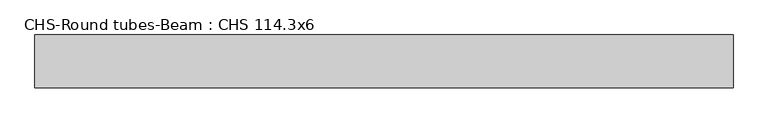
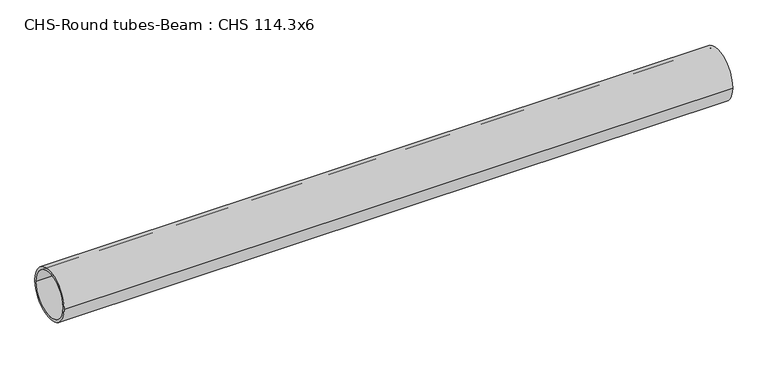
"""IFC4 building model written with IfcOpenShell, lengths in millimetres: beam geometry, CHS-Round tubes-Beam : CHS 114.3x6."""

from ifc_helpers import new_model, si_unit, point, frame, origin, origin_2d, place, context, project, spatial, circle_curve, trimmed, segment, composite_curve, outline, extrude, source, transform, mapped, element, save


def chs_round_tubes_beam_chs_114_3x6_c7fa2784(model_context):
    return source(origin(), model_context, "Body", "SweptSolid", [
        extrude(outline(composite_curve([segment(trimmed(circle_curve(origin_2d(), 57.15), [point((57.15, 0.0))], [point((-57.15, 0.0))], False, "CARTESIAN"), True, "CONTINUOUS"), segment(trimmed(circle_curve(origin_2d(), 57.15), [point((-57.15, 0.0))], [point((57.15, 0.0))], False, "CARTESIAN"), True, "CONTINUOUS")], self_intersect=False), holes=[composite_curve([segment(trimmed(circle_curve(origin_2d(), 51.15), [point((51.15, 0.0))], [point((-51.15, 0.0))], True, "CARTESIAN"), True, "CONTINUOUS"), segment(trimmed(circle_curve(origin_2d(), 51.15), [point((-51.15, 0.0))], [point((51.15, 0.0))], True, "CARTESIAN"), True, "CONTINUOUS")], self_intersect=False)]), frame((-720.2856977, 0.0, 0.0), z_axis=(1.0, 0.0, 0.0), x_axis=(0.0, 1.0, 0.0)), (0.0, 0.0, 1.0), 1506.6985438),
    ])


if __name__ == "__main__":
    model = new_model("IFC4")
    model_context = context("Model", 3, world=origin())
    ifc_project = project(units=[si_unit("LENGTHUNIT", "METRE", prefix="MILLI")], contexts=[model_context])
    site = spatial("IfcSite", under=ifc_project)
    building = spatial("IfcBuilding", under=site)
    placement = place(None, origin())
    chs_round_tubes_beam_chs_114_3x6_shape = chs_round_tubes_beam_chs_114_3x6_c7fa2784(model_context)
    element("IfcBeam", 1, ObjectType="CHS-Round tubes-Beam : CHS 114.3x6", at=placement, inside=building, context=model_context, shape_type="MappedRepresentation", body=[
        mapped(chs_round_tubes_beam_chs_114_3x6_shape, transform((0.0, 0.0, 0.0), x_axis=(1.0, 0.0, 0.0), y_axis=(0.0, 1.0, 0.0), z_axis=(0.0, 0.0, 1.0))),
    ])
    save(model, "model.ifc")
